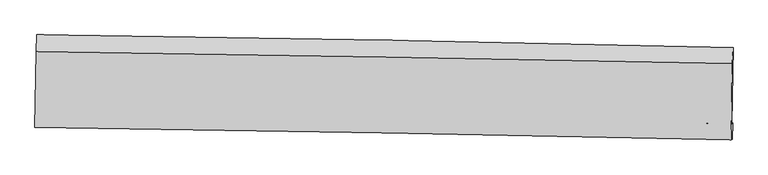
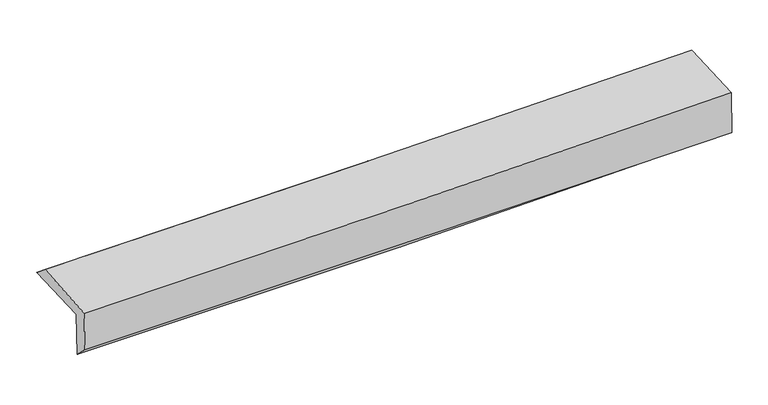
"""IFC4 building model written with IfcOpenShell, lengths in millimetres: proxy geometry."""

from ifc_helpers import new_model, si_unit, frame, origin, place, context, project, spatial, source, transform, mapped, element, save
from ifc_brep_helpers import plane_surface, spline_curve, spline_surface, advanced_brep


def generic_models_8a0564d2(model_context):
    return source(origin(), model_context, "Body", "AdvancedBrep", [
        advanced_brep(
        [(-3025.7228811, -1753.9252457, 1978.0277602), (-3013.0751539, -1087.0875932, 1986.5498486), (3013.3973181, -1196.6768551, 2123.0569368), (3000.9961671, -1858.6078111, 2121.5782051), (-3015.7656572, -1748.9346674, 1572.7466075), (3010.9484599, -1853.6197043, 1716.49776), (-3021.499499, -1884.7667272, 1700.7839664), (3005.6988834, -1994.1955797, 1823.6694509), (-3030.6354335, -1889.3456739, 2072.6368134), (2995.8260682, -1999.1438523, 2225.5149826), (-3018.7580642, -1232.98366, 2104.5202456), (3007.8420898, -1337.5931568, 2242.5247835)],
        [
            (0, 1),
            (1, 2, spline_curve(3, [(-3013.0751539, -1087.0875932, 1986.5498486), (-2008.274150977, -1100.924877123, 1996.425765111), (-1003.663024206, -1116.976060859, 2012.739477095), (1005.161126331, -1153.505896018, 2058.24207501), (2009.374156624, -1173.98446587, 2087.430726049), (3013.3973181, -1196.6768551, 2123.0569368)], [4, 2, 4], [0.0, 9.891033307010384, 19.781885894016927])),
            (2, 3),
            (3, 0, spline_curve(3, [(3000.9961671, -1858.6078111, 2121.5782051), (1997.233297917, -1838.232967981, 2071.236421126), (993.129867297, -1819.322065808, 2034.102980538), (-1015.776469723, -1784.427824011, 1986.252349916), (-2020.57938829, -1768.4445378, 1975.535641824), (-3025.7228811, -1753.9252457, 1978.0277602)], [4, 2, 4], [0.0, 9.890852587006544, 19.781885894016927])),
            (4, 0),
            (3, 5),
            (5, 4, spline_curve(3, [(3010.9484599, -1853.6197043, 1716.49776), (2007.024328311, -1833.325686204, 1672.719712299), (1002.840676712, -1814.454990738, 1638.851444659), (-1006.064019524, -1779.559926674, 1590.934031585), (-2010.785073508, -1763.53560959, 1576.885248383), (-3015.7656572, -1748.9346674, 1572.7466075)], [4, 2, 4], [0.0, 9.891322483376621, 19.78282569534276])),
            (6, 4),
            (5, 7),
            (7, 6, spline_curve(3, [(3005.6988834, -1994.1955797, 1823.6694509), (2001.472596064, -1971.57110996, 1793.656781601), (997.097510515, -1951.139867233, 1768.410040093), (-1011.968611402, -1914.663502732, 1727.448037694), (-2016.659653376, -1898.618461367, 1711.732951256), (-3021.499499, -1884.7667272, 1700.7839664)], [4, 2, 4], [0.0, 9.890905631556278, 19.781991984085593])),
            (8, 6),
            (7, 9),
            (9, 8, spline_curve(3, [(2995.8260682, -1999.1438523, 2225.5149826), (1991.804492303, -1976.416780785, 2187.170106307), (987.593168941, -1955.903460041, 2155.257878321), (-1021.227324783, -1919.303986599, 2104.29825373), (-2025.836501814, -1903.217914154, 2085.251091883), (-3030.6354335, -1889.3456739, 2072.6368134)], [4, 2, 4], [0.0, 9.890839964924222, 19.78186064962166])),
            (10, 8),
            (9, 11),
            (11, 10, spline_curve(3, [(3007.8420898, -1337.5931568, 2242.5247835), (2003.644349798, -1317.458371797, 2211.614100607), (999.333389353, -1298.673588387, 2184.658449892), (-1009.533324818, -1263.803706655, 2138.656792654), (-2014.089082266, -1247.718657613, 2119.610930682), (-3018.7580642, -1232.98366, 2104.5202456)], [4, 2, 4], [0.0, 9.890540245869365, 19.78126120603565])),
            (1, 10),
            (11, 2),
        ],
        [
            spline_surface(3, 3, [[(-3025.7228811, -1753.9252457, 1978.0277602), (-2020.579388418, -1768.44453771, 1975.535641854), (-1015.776469688, -1784.427823926, 1986.252349752), (993.129867262, -1819.322065893, 2034.102980702), (1997.233297941, -1838.232968138, 2071.236421154), (3000.9961671, -1858.6078111, 2121.5782051)], [(-3021.506972053, -1531.646028175, 1980.868456333), (-2016.477642657, -1545.937984114, 1982.499016324), (-1011.738654512, -1561.943902951, 1995.081392189), (997.14028692, -1597.383342561, 2042.149345482), (2001.280250831, -1616.816800694, 2076.634522784), (3005.129884086, -1637.964159102, 2122.071115687)], [(-3017.291062947, -1309.366810725, 1983.709152467), (-2012.375896837, -1323.431430593, 1989.462390794), (-1007.700839312, -1339.459981965, 2003.910434627), (1001.150706602, -1375.444619218, 2050.195710262), (2005.327203763, -1395.400633244, 2082.032624353), (3009.263601114, -1417.320507098, 2122.564026213)], [(-3013.0751539, -1087.0875932, 1986.5498486), (-2008.274151075, -1100.924876997, 1996.425765265), (-1003.663024136, -1116.97606099, 2012.739477063), (1005.16112626, -1153.505895887, 2058.242075042), (2009.374156652, -1173.984465801, 2087.430725984), (3013.3973181, -1196.6768551, 2123.0569368)]], [4, 4], [4, 2, 4], [0.0, 2.1890538774074417], [0.0, 9.891033307010384, 19.781885894016927]),
            spline_surface(3, 3, [[(-3015.7656572, -1748.9346674, 1572.7466075), (-2010.785073536, -1763.5356097, 1576.885248427), (-1006.064019508, -1779.55992655, 1590.934031638), (1002.840676696, -1814.454990861, 1638.851444606), (2007.024328392, -1833.325686314, 1672.719712229), (3010.9484599, -1853.6197043, 1716.49776)], [(-3019.084731833, -1750.59819352, 1707.840325071), (-2014.049845163, -1765.171919057, 1709.768712907), (-1009.301502901, -1781.182558996, 1722.706804353), (999.603740218, -1816.077349192, 1770.601956649), (2003.760651584, -1834.961446947, 1805.558615184), (3007.631028975, -1855.282406591, 1851.524575013)], [(-3022.403806467, -1752.26171958, 1842.934042629), (-2017.314616791, -1766.808228353, 1842.652177374), (-1012.538986295, -1782.805191481, 1854.479577037), (996.36680374, -1817.699707562, 1902.35246866), (2000.49697475, -1836.597207505, 1938.397518199), (3004.313598025, -1856.945108809, 1986.551390087)], [(-3025.7228811, -1753.9252457, 1978.0277602), (-2020.579388418, -1768.44453771, 1975.535641854), (-1015.776469688, -1784.427823926, 1986.252349752), (993.129867262, -1819.322065893, 2034.102980702), (1997.233297941, -1838.232968138, 2071.236421154), (3000.9961671, -1858.6078111, 2121.5782051)]], [4, 4], [4, 2, 4], [0.0, 1.2973561986158808], [0.0, 9.891503211966137, 19.78282569534276]),
            spline_surface(3, 3, [[(-3021.499499, -1884.7667272, 1700.7839664), (-2016.659653339, -1898.618461373, 1711.732951152), (-1011.968611463, -1914.663502826, 1727.448037733), (997.097510577, -1951.139867139, 1768.410040053), (2001.472596146, -1971.571109856, 1793.656781656), (3005.6988834, -1994.1955797, 1823.6694509)], [(-3019.588218379, -1839.489373915, 1658.10484676), (-2014.701460051, -1853.59084413, 1666.783716904), (-1010.000414116, -1869.6289774, 1681.943369029), (999.011899311, -1905.578241713, 1725.223841566), (2003.32317356, -1925.48930199, 1753.344425182), (3007.448742232, -1947.336954548, 1787.945553935)], [(-3017.676937821, -1794.212020685, 1615.42572714), (-2012.743266825, -1808.563226943, 1621.834482676), (-1008.032216854, -1824.594451976, 1636.438700342), (1000.926287961, -1860.016616288, 1682.037643094), (2005.173750978, -1879.40749418, 1713.032068703), (3009.198601068, -1900.478329452, 1752.221656965)], [(-3015.7656572, -1748.9346674, 1572.7466075), (-2010.785073536, -1763.5356097, 1576.885248427), (-1006.064019508, -1779.55992655, 1590.934031638), (1002.840676696, -1814.454990861, 1638.851444606), (2007.024328392, -1833.325686314, 1672.719712229), (3010.9484599, -1853.6197043, 1716.49776)]], [4, 4], [4, 2, 4], [0.0, 0.6242208843470851], [0.0, 9.891086352529316, 19.781991984085593]),
            spline_surface(3, 3, [[(-3030.6354335, -1889.3456739, 2072.6368134), (-2025.836501911, -1903.217914279, 2085.251091829), (-1021.227324735, -1919.303986465, 2104.298253623), (987.593168893, -1955.903460175, 2155.257878429), (1991.804492293, -1976.416780764, 2187.170106363), (2995.8260682, -1999.1438523, 2225.5149826)], [(-3027.590122009, -1887.819358354, 1948.685864428), (-2022.777552396, -1901.684763331, 1960.745044965), (-1018.141086988, -1917.757158607, 1978.681514994), (990.761282778, -1954.315595851, 2026.308598971), (1995.027193583, -1974.801557135, 2055.998998144), (2999.117006605, -1997.494428107, 2091.56647205)], [(-3024.544810491, -1886.293042746, 1824.734915372), (-2019.718602854, -1900.151612321, 1836.238998017), (-1015.05484921, -1916.210330685, 1853.064776362), (993.929396692, -1952.727731463, 1897.359319511), (1998.249894857, -1973.186333485, 1924.827889875), (3002.407944995, -1995.845003893, 1957.61796145)], [(-3021.499499, -1884.7667272, 1700.7839664), (-2016.659653339, -1898.618461373, 1711.732951152), (-1011.968611463, -1914.663502826, 1727.448037733), (997.097510577, -1951.139867139, 1768.410040053), (2001.472596146, -1971.571109856, 1793.656781656), (3005.6988834, -1994.1955797, 1823.6694509)]], [4, 4], [4, 2, 4], [0.0, 1.2532582170841675], [0.0, 9.891020684697438, 19.78186064962166]),
            spline_surface(3, 3, [[(-3018.7580642, -1232.98366, 2104.5202456), (-2014.089082215, -1247.718657772, 2119.610930788), (-1009.533324668, -1263.803706724, 2138.65679268), (999.333389204, -1298.673588318, 2184.658449866), (2003.644349638, -1317.458371644, 2211.614100561), (3007.8420898, -1337.5931568, 2242.5247835)], [(-3022.717187304, -1451.770997948, 2093.892434869), (-2018.004888784, -1466.218409922, 2108.157651137), (-1013.431324692, -1482.303799968, 2127.203946313), (995.419982432, -1517.750212268, 2174.858259372), (1999.697730505, -1537.111174684, 2203.466102478), (3003.836749249, -1558.1100553, 2236.854849849)], [(-3026.676310396, -1670.558335952, 2083.264624131), (-2021.920695342, -1684.718162128, 2096.70437148), (-1017.329324712, -1700.803893221, 2115.75109999), (991.506575665, -1736.826836226, 2165.058068922), (1995.751111426, -1756.763977724, 2195.318104446), (2999.831408751, -1778.6269538, 2231.184916251)], [(-3030.6354335, -1889.3456739, 2072.6368134), (-2025.836501911, -1903.217914279, 2085.251091829), (-1021.227324735, -1919.303986465, 2104.298253623), (987.593168893, -1955.903460175, 2155.257878429), (1991.804492293, -1976.416780764, 2187.170106363), (2995.8260682, -1999.1438523, 2225.5149826)]], [4, 4], [4, 2, 4], [0.0, 2.1563098800726337], [0.0, 9.890720960166286, 19.78126120603565]),
            spline_surface(3, 3, [[(-3013.0751539, -1087.0875932, 1986.5498486), (-2008.274151075, -1100.924876997, 1996.425765265), (-1003.663024136, -1116.97606099, 2012.739477063), (1005.16112626, -1153.505895887, 2058.242075042), (2009.374156652, -1173.984465801, 2087.430725984), (3013.3973181, -1196.6768551, 2123.0569368)], [(-3014.969457322, -1135.719615487, 2025.873314239), (-2010.212461444, -1149.856137276, 2037.487487078), (-1005.619790989, -1165.91860956, 2054.711915611), (1003.218547232, -1201.895126689, 2100.380866658), (2007.464221001, -1221.809101067, 2128.825184175), (3011.545575353, -1243.648955652, 2162.879552365)], [(-3016.863760778, -1184.351637713, 2065.196779961), (-2012.150771846, -1198.787397493, 2078.549208974), (-1007.576557815, -1214.861158154, 2096.684354133), (1001.275968232, -1250.284357516, 2142.519658249), (2005.554285289, -1269.633736378, 2170.21964237), (3009.693832547, -1290.621056248, 2202.702167935)], [(-3018.7580642, -1232.98366, 2104.5202456), (-2014.089082215, -1247.718657772, 2119.610930788), (-1009.533324668, -1263.803706724, 2138.65679268), (999.333389204, -1298.673588318, 2184.658449866), (2003.644349638, -1317.458371644, 2211.614100561), (3007.8420898, -1337.5931568, 2242.5247835)]], [4, 4], [4, 2, 4], [0.0, 0.633360227632129], [0.0, 9.89041223350988, 19.780643758363613]),
            plane_surface(frame((3005.7848311, -1706.6394932, 2042.1403532), z_axis=(0.9995276657859974, -0.018780304380505493, 0.02432581952927823), x_axis=(0.02455940982092293, 0.012309219966792599, -0.9996225880266297))),
            plane_surface(frame((-3020.9094481, -1599.5072612, 1902.544207), z_axis=(-0.9995185274693262, 0.019268394952954484, -0.024319584730974547), x_axis=(-0.018961767712038124, -0.999738571857537, -0.012776513823699518))),
        ],
        [
            (0, [[1, 2, 3, 4]]),
            (1, [[5, -4, 6, 7]]),
            (2, [[8, -7, 9, 10]]),
            (3, [[11, -10, 12, 13]]),
            (4, [[14, -13, 15, 16]]),
            (5, [[17, -16, 18, -2]]),
            (6, [[-12, -9, -6, -3, -18, -15]]),
            (7, [[-1, -5, -8, -11, -14, -17]]),
        ],
    ),
    ])


if __name__ == "__main__":
    model = new_model("IFC4")
    model_context = context("Model", 3, world=origin())
    ifc_project = project(units=[si_unit("LENGTHUNIT", "METRE", prefix="MILLI")], contexts=[model_context])
    site = spatial("IfcSite", under=ifc_project)
    building = spatial("IfcBuilding", under=site)
    placement = place(None, origin())
    generic_models_shape = generic_models_8a0564d2(model_context)
    element("IfcBuildingElementProxy", 1, Name="Generic Models", at=placement, inside=building, context=model_context, shape_type="MappedRepresentation", body=[
        mapped(generic_models_shape, transform((0.0, 0.0, 0.0), x_axis=(1.0, 0.0, 0.0), y_axis=(0.0, 1.0, 0.0), z_axis=(0.0, 0.0, 1.0))),
    ])
    save(model, "model.ifc")
